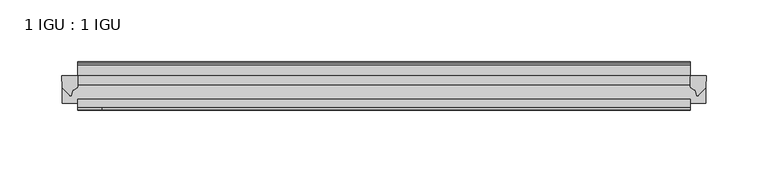
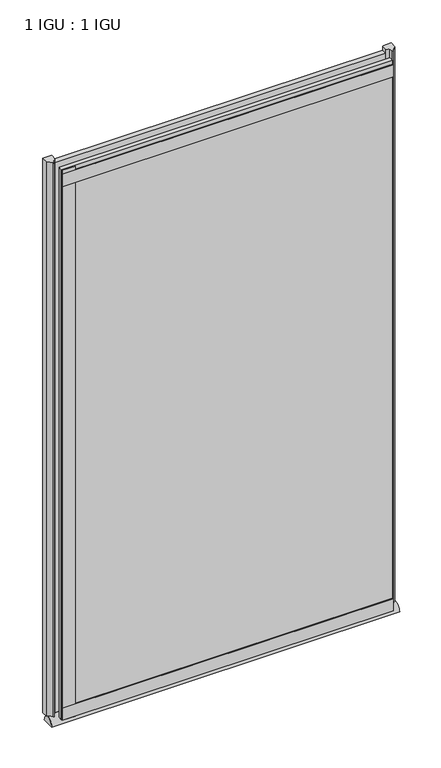
"""IFC4 building model written with IfcOpenShell, lengths in millimetres: plate geometry, 1 IGU : 1 IGU."""

from ifc_helpers import new_model, si_unit, point, frame, frame_2d, origin, place, context, project, spatial, polyline, circle_curve, ellipse_curve, trimmed, segment, composite_curve, outline, extrude, source, transform, mapped, element, save
from ifc_brep_helpers import plane_surface, extruded_surface, advanced_brep


def plate_1_igu_1_igu_df68396a(model_context):
    return source(origin(), model_context, "Body", "SolidModel", [
        extrude(outline(polyline([(187.0210103, -11.6085937), (187.0210103, -18.8576359), (-307.9686665, -18.8576359), (-307.9686665, -11.6085937), (187.0210103, -11.6085937)])), frame((0.0, 0.0, -19.05), z_axis=(0.0, 0.0, 1.0), x_axis=(1.0, 0.0, 0.0)), (0.0, 0.0, 1.0), 869.9409101),
        extrude(outline(polyline([(-307.9686665, -30.7093937), (187.0210103, -30.7093937), (187.0210103, -37.0085937), (-307.9686665, -37.0085937), (-307.9686665, -30.7093937)])), frame((0.0, 0.0, -19.05), z_axis=(0.0, 0.0, 1.0), x_axis=(1.0, 0.0, 0.0)), (0.0, 0.0, 1.0), 869.9409101),
        advanced_brep(
        [(199.7210103, -33.6472189, -28.575), (199.7210103, -14.9699686, -28.575), (-320.6686665, -33.6472189, -28.575), (-320.6686665, -14.9699686, -28.575)],
        [
            (0, 1),
            (1, 0, ellipse_curve(frame((199.7210103, -24.3085937, -28.575), z_axis=(1.0, 0.0, 0.0), x_axis=(0.0, 0.0, 1.0)), 10.6973372, 9.3386252)),
            (2, 3, ellipse_curve(frame((-320.6686665, -24.3085937, -28.575), z_axis=(-1.0, 0.0, 0.0), x_axis=(0.0, 0.0, 1.0)), 10.6973372, 9.3386252)),
            (3, 2),
            (0, 2),
            (3, 1),
        ],
        [
            plane_surface(frame((199.7210103, -9.2273438, -28.575), z_axis=(1.0, 0.0, 0.0), x_axis=(0.0, 1.0, 0.0))),
            plane_surface(frame((-320.6686665, -9.2273437, -28.575), z_axis=(-1.0, 0.0, 0.0), x_axis=(0.0, 1.0, 0.0))),
            plane_surface(frame((199.7210103, -33.6472189, -28.575), z_axis=(0.0, 0.0, -1.0), x_axis=(-1.0, 0.0, 0.0))),
            extruded_surface(trimmed(ellipse_curve(frame((-320.6686665, -24.3085937, -28.575), z_axis=(1.0, 0.0, 0.0), x_axis=(0.0, 0.0, 1.0)), 10.6973372, 9.3386252), [point((-320.6686665, -14.9699686, -28.575))], [point((-320.6686665, -33.6472189, -28.575))], True, "CARTESIAN"), (520.3896768, 0.0, 0.0), 520.3896768),
        ],
        [
            (0, [[1, 2]]),
            (1, [[3, 4]]),
            (2, [[-1, 5, -4, 6]]),
            (3, [[-2, -6, -3, -5]]),
        ],
    ),
        extrude(outline(composite_curve([segment(polyline([(200.0989194, -11.6101465), (199.7210103, -21.3502133), (193.782957, -27.6095865)]), True, "CONTINUOUS"), segment(trimmed(circle_curve(frame_2d((193.1101509, -27.2518492)), 0.762), [point((193.782957, -27.6095865))], [point((192.3814467, -27.4746364))], False, "CARTESIAN"), True, "CONTINUOUS"), segment(polyline([(192.3814467, -27.4746364), (191.1196122, -23.3488397)]), True, "CONTINUOUS"), segment(trimmed(circle_curve(frame_2d((193.3015693, -16.3834724)), 7.2991286), [point((191.1196122, -23.3488397))], [point((187.0211889, -20.1028944))], False, "CARTESIAN"), True, "CONTINUOUS"), segment(polyline([(187.0211889, -20.1028944), (187.0211889, -12.664425)]), True, "CONTINUOUS"), segment(trimmed(circle_curve(frame_2d((193.3024434, -16.3827796)), 7.2993369), [point((187.0211889, -12.664425))], [point((187.7795553, -11.6101465))], False, "CARTESIAN"), True, "CONTINUOUS"), segment(polyline([(187.7795553, -11.6101465), (200.0989194, -11.6101465)]), True, "CONTINUOUS")], self_intersect=False)), frame((0.0, 0.0, -19.05), z_axis=(0.0, 0.0, 1.0), x_axis=(1.0, 0.0, 0.0)), (0.0, 0.0, 1.0), 877.0783101),
        extrude(outline(composite_curve([segment(polyline([(-307.9686665, -11.610702), (-307.9686665, -20.1014769)]), True, "CONTINUOUS"), segment(trimmed(circle_curve(frame_2d((-314.2498609, -16.3829847)), 7.2993552), [point((-307.9686665, -20.1014769))], [point((-312.0676163, -23.3484994))], False, "CARTESIAN"), True, "CONTINUOUS"), segment(polyline([(-312.0676163, -23.3484994), (-313.329103, -27.4746364)]), True, "CONTINUOUS"), segment(trimmed(circle_curve(frame_2d((-314.0578072, -27.2518492)), 0.762), [point((-313.329103, -27.4746364))], [point((-314.7306133, -27.6095865))], False, "CARTESIAN"), True, "CONTINUOUS"), segment(polyline([(-314.7306133, -27.6095865), (-320.6686665, -21.3502133), (-321.0465757, -11.610702), (-307.9686665, -11.610702)]), True, "CONTINUOUS")], self_intersect=False)), frame((0.0, 0.0, -19.05), z_axis=(0.0, 0.0, 1.0), x_axis=(1.0, 0.0, 0.0)), (0.0, 0.0, 1.0), 877.0783101),
        extrude(outline(polyline([(-307.9686665, -39.2945937), (-307.9686665, -37.0085937), (187.0210103, -37.0085937), (187.0210103, -39.2945937), (-307.9686665, -39.2945937)])), frame((0.0, 0.0, -19.05), z_axis=(0.0, 0.0, 1.0), x_axis=(1.0, 0.0, 0.0)), (0.0, 0.0, 1.0), 19.05),
        extrude(outline(composite_curve([segment(polyline([(-3.0995937, 840.8103314), (-3.0995937, 838.7783314), (-5.2585937, 838.7783314), (-5.2585937, 833.4443314), (-1.5755937, 833.4443314), (-1.5755937, 830.3963314), (-5.2585937, 830.3963314), (-5.2585937, 825.5703314), (-0.5298657, 826.2349108), (-0.4061408, 825.3545625)]), True, "CONTINUOUS"), segment(trimmed(circle_curve(frame_2d((-1.4122531, 825.2131626)), 1.016), [point((-0.4061408, 825.3545625))], [point((-1.2708533, 824.2070502))], False, "CARTESIAN"), True, "CONTINUOUS"), segment(polyline([(-1.2708533, 824.2070502), (-11.6085937, 822.7541756), (-11.6085937, 840.8103314), (-3.0995937, 840.8103314)]), True, "CONTINUOUS")], self_intersect=False)), frame((-307.9686665, 0.0, 0.0), z_axis=(1.0, 0.0, 0.0), x_axis=(0.0, 1.0, 0.0)), (0.0, 0.0, 1.0), 494.9896768),
        extrude(outline(polyline([(-307.9686665, -39.2945937), (-307.9686665, -37.0085937), (187.0210103, -37.0085937), (187.0210103, -39.2945937), (-307.9686665, -39.2945937)])), frame((0.0, 0.0, 825.4909101), z_axis=(0.0, 0.0, 1.0), x_axis=(1.0, 0.0, 0.0)), (0.0, 0.0, 1.0), 19.05),
        extrude(outline(polyline([(-307.9686665, -39.2945937), (-307.9686665, -37.0085937), (-288.9186665, -37.0085937), (-288.9186665, -39.2945937), (-307.9686665, -39.2945937)])), frame((0.0, 0.0, -19.05), z_axis=(0.0, 0.0, 1.0), x_axis=(1.0, 0.0, 0.0)), (0.0, 0.0, 1.0), 869.9409101),
    ])


if __name__ == "__main__":
    model = new_model("IFC4")
    model_context = context("Model", 3, world=origin())
    ifc_project = project(units=[si_unit("LENGTHUNIT", "METRE", prefix="MILLI")], contexts=[model_context])
    site = spatial("IfcSite", under=ifc_project)
    building = spatial("IfcBuilding", under=site)
    placement = place(None, origin())
    plate_1_igu_1_igu_shape = plate_1_igu_1_igu_df68396a(model_context)
    element("IfcPlate", 1, ObjectType="1 IGU : 1 IGU", at=placement, inside=building, context=model_context, shape_type="MappedRepresentation", body=[
        mapped(plate_1_igu_1_igu_shape, transform((0.0, 0.0, 0.0), x_axis=(1.0, 0.0, 0.0), y_axis=(0.0, 1.0, 0.0), z_axis=(0.0, 0.0, 1.0))),
    ])
    save(model, "model.ifc")
